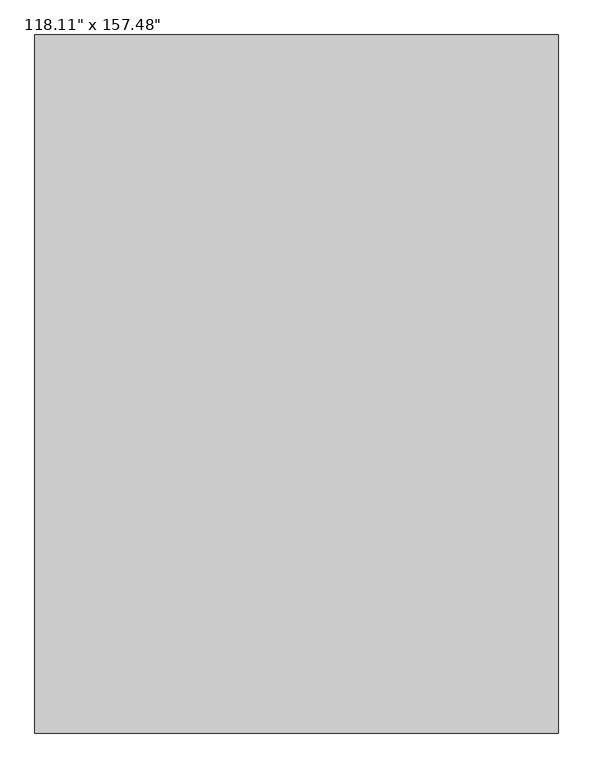
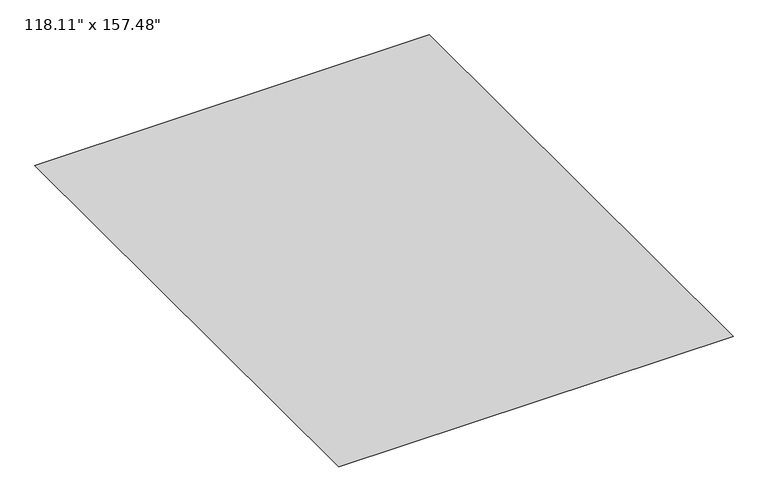
"""IFC4 building model written with IfcOpenShell, lengths in millimetres: furniture geometry."""

from ifc_helpers import new_model, si_unit, origin, place, context, project, spatial, triangles, source, transform, mapped, element, save


def furniture_7e387291(model_context):
    return source(origin(), model_context, "Body", "Tessellation", [
        triangles([(-1500.0001568, -2000.0000153, 5.0800003), (1500.0001568, -2000.0000153, 5.0800003), (1500.0001568, 2000.0000153, 5.0800003), (-1500.0001568, 2000.0000153, 5.0800003)], [[1, 2, 3], [1, 3, 4]], closed=False),
    ])


if __name__ == "__main__":
    model = new_model("IFC4")
    model_context = context("Model", 3, world=origin())
    ifc_project = project(units=[si_unit("LENGTHUNIT", "METRE", prefix="MILLI")], contexts=[model_context])
    site = spatial("IfcSite", under=ifc_project)
    building = spatial("IfcBuilding", under=site)
    placement = place(None, origin())
    furniture_shape = furniture_7e387291(model_context)
    element("IfcFurniture", 1, ObjectType="118.11\" x 157.48\"", at=placement, inside=building, context=model_context, shape_type="MappedRepresentation", body=[
        mapped(furniture_shape, transform((0.0, 0.0, 0.0), x_axis=(1.0, 0.0, 0.0), y_axis=(0.0, 1.0, 0.0), z_axis=(0.0, 0.0, 1.0))),
    ])
    save(model, "model.ifc")
